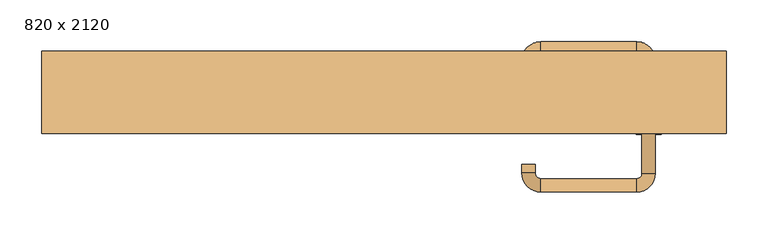
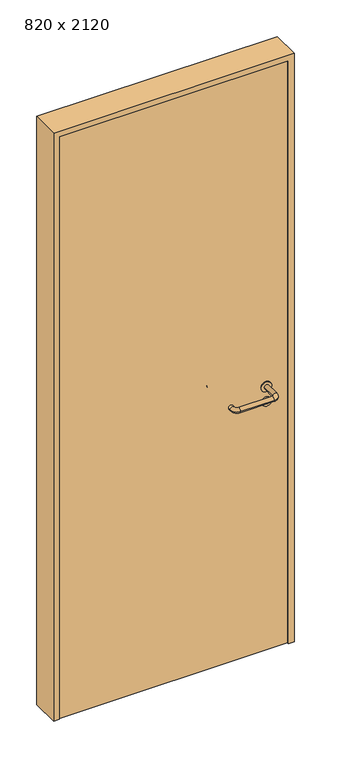
"""IFC4 building model written with IfcOpenShell, lengths in millimetres: door geometry, 820 x 2120."""

from ifc_helpers import new_model, si_unit, point, frame, frame_2d, origin, origin_with_axes, place, context, project, spatial, polyline, circle_curve, ellipse_curve, trimmed, segment, composite_curve, outline, extrude, source, transform, mapped, element, save
from ifc_brep_helpers import plane_surface, cylinder_surface, revolved_surface, advanced_brep


def door_820_x_2120_74c0bed8(model_context):
    return source(origin(), model_context, "Body", "SolidModel", [
        extrude(outline(composite_curve([segment(trimmed(circle_curve(frame_2d((897.3605726, 317.0)), 15.0), [point((897.3605726, 332.0))], [point((897.3605726, 302.0))], False, "CARTESIAN"), True, "CONTINUOUS"), segment(trimmed(circle_curve(frame_2d((897.3605726, 317.0)), 15.0), [point((897.3605726, 302.0))], [point((897.3605726, 332.0))], False, "CARTESIAN"), True, "CONTINUOUS")], self_intersect=False), holes=[composite_curve([segment(trimmed(circle_curve(frame_2d((892.5833211, 316.9398032)), 2.0), [point((892.5833211, 318.9398032))], [point((892.5833211, 314.9398032))], True, "CARTESIAN"), True, "CONTINUOUS"), segment(polyline([(892.5833211, 314.9398032), (902.5833211, 314.9398032)]), True, "CONTINUOUS"), segment(trimmed(circle_curve(frame_2d((902.5833211, 316.9398032)), 2.0), [point((902.5833211, 314.9398032))], [point((902.5833211, 318.9398032))], True, "CARTESIAN"), True, "CONTINUOUS"), segment(polyline([(902.5833211, 318.9398032), (892.5833211, 318.9398032)]), True, "CONTINUOUS")], self_intersect=False)]), frame((0.0, -15.0, 0.0), z_axis=(0.0, 1.0, 0.0), x_axis=(0.0, 0.0, 1.0)), (0.0, 0.0, 1.0), 6.35),
        extrude(outline(composite_curve([segment(trimmed(circle_curve(frame_2d((950.0, 317.0)), 17.526), [point((950.0, 334.526))], [point((950.0, 299.474))], False, "CARTESIAN"), True, "CONTINUOUS"), segment(trimmed(circle_curve(frame_2d((950.0, 317.0)), 17.526), [point((950.0, 299.474))], [point((950.0, 334.526))], False, "CARTESIAN"), True, "CONTINUOUS")], self_intersect=False)), frame((0.0, -15.0, 0.0), z_axis=(0.0, 1.0, 0.0), x_axis=(0.0, 0.0, 1.0)), (0.0, 0.0, 1.0), 3.175),
        advanced_brep(
        [(325.0, -15.0, 950.0), (309.0, -15.0, 950.0), (325.0, 38.0, 950.0), (309.0, 38.0, 950.0), (302.8578644, 44.1421356, 950.0), (302.8578644, 60.1421356, 950.0), (187.8578644, 60.1421356, 950.0), (187.8578644, 44.1421356, 950.0), (181.008622, 37.2928932, 950.0), (165.008622, 37.2928932, 950.0), (165.008622, 27.2928932, 950.0), (181.008622, 27.2928932, 950.0)],
        [
            (0, 1, circle_curve(frame((317.0, -15.0, 950.0), z_axis=(0.0, -1.0, 0.0), x_axis=(-1.0, 0.0, 0.0)), 8.0)),
            (1, 0, circle_curve(frame((317.0, -15.0, 950.0), z_axis=(0.0, -1.0, 0.0), x_axis=(-1.0, 0.0, 0.0)), 8.0)),
            (0, 2),
            (2, 3, circle_curve(frame((317.0, 38.0, 950.0), z_axis=(0.0, -1.0, 0.0), x_axis=(-1.0, 0.0, 0.0)), 8.0)),
            (3, 1),
            (3, 2, circle_curve(frame((317.0, 38.0, 950.0), z_axis=(0.0, -1.0, 0.0), x_axis=(-1.0, 0.0, 0.0)), 8.0)),
            (4, 3, circle_curve(frame((302.8578644, 38.0, 950.0), z_axis=(0.0, 0.0, -1.0), x_axis=(1.0, 0.0, 0.0)), 6.1421356)),
            (2, 5, circle_curve(frame((302.8578644, 38.0, 950.0), z_axis=(0.0, 0.0, 1.0), x_axis=(1.0, 0.0, 0.0)), 22.1421356)),
            (5, 4, circle_curve(frame((302.8578644, 52.1421356, 950.0), z_axis=(1.0, 0.0, 0.0), x_axis=(0.0, -1.0, 0.0)), 8.0)),
            (4, 5, circle_curve(frame((302.8578644, 52.1421356, 950.0), z_axis=(1.0, 0.0, 0.0), x_axis=(0.0, -1.0, 0.0)), 8.0)),
            (5, 6),
            (6, 7, circle_curve(frame((187.8578644, 52.1421356, 950.0), z_axis=(1.0, 0.0, 0.0), x_axis=(0.0, -1.0, 0.0)), 8.0)),
            (7, 4),
            (7, 6, circle_curve(frame((187.8578644, 52.1421356, 950.0), z_axis=(1.0, 0.0, 0.0), x_axis=(0.0, -1.0, 0.0)), 8.0)),
            (8, 7, circle_curve(frame((187.8578644, 37.2928932, 950.0), z_axis=(0.0, 0.0, -1.0), x_axis=(0.0, 1.0, 0.0)), 6.8492424)),
            (6, 9, circle_curve(frame((187.8578644, 37.2928932, 950.0), z_axis=(0.0, 0.0, 1.0), x_axis=(0.0, 1.0, 0.0)), 22.8492424)),
            (9, 8, circle_curve(frame((173.008622, 37.2928932, 950.0), z_axis=(0.0, 1.0, 0.0), x_axis=(1.0, 0.0, 0.0)), 8.0)),
            (8, 9, circle_curve(frame((173.008622, 37.2928932, 950.0), z_axis=(0.0, 1.0, 0.0), x_axis=(1.0, 0.0, 0.0)), 8.0)),
            (10, 11, circle_curve(frame((173.008622, 27.2928932, 950.0), z_axis=(0.0, -1.0, 0.0), x_axis=(1.0, 0.0, 0.0)), 8.0)),
            (11, 10, circle_curve(frame((173.008622, 27.2928932, 950.0), z_axis=(0.0, -1.0, 0.0), x_axis=(1.0, 0.0, 0.0)), 8.0)),
            (9, 10),
            (11, 8),
        ],
        [
            plane_surface(frame((317.0, -15.0, 0.0), z_axis=(0.0, -1.0, 0.0), x_axis=(0.0, 0.0, 1.0))),
            cylinder_surface(frame((317.0, -15.0, 950.0), z_axis=(0.0, -1.0, 0.0), x_axis=(-1.0, 0.0, 0.0)), 8.0),
            revolved_surface(trimmed(ellipse_curve(frame((317.0, 38.0, 950.0), z_axis=(0.0, -1.0, 0.0), x_axis=(-1.0, 0.0, 0.0)), 8.0, 8.0), [point((325.0, 38.0, 950.0))], [point((309.0, 38.0, 950.0))], True, "CARTESIAN"), (302.8578644, 38.0, 0.0), (0.0, 0.0, 1.0)),
            revolved_surface(trimmed(ellipse_curve(frame((317.0, 38.0, 950.0), z_axis=(0.0, -1.0, 0.0), x_axis=(-1.0, 0.0, 0.0)), 8.0, 8.0), [point((309.0, 38.0, 950.0))], [point((325.0, 38.0, 950.0))], True, "CARTESIAN"), (302.8578644, 38.0, 0.0), (0.0, 0.0, 1.0)),
            cylinder_surface(frame((302.8578644, 52.1421356, 950.0), z_axis=(1.0, 0.0, 0.0), x_axis=(0.0, -1.0, 0.0)), 8.0),
            revolved_surface(trimmed(ellipse_curve(frame((187.8578644, 52.1421356, 950.0), z_axis=(1.0, 0.0, 0.0), x_axis=(0.0, -1.0, 0.0)), 8.0, 8.0), [point((187.8578644, 60.1421356, 950.0))], [point((187.8578644, 44.1421356, 950.0))], True, "CARTESIAN"), (187.8578644, 37.2928932, 0.0), (0.0, 0.0, 1.0)),
            revolved_surface(trimmed(ellipse_curve(frame((187.8578644, 52.1421356, 950.0), z_axis=(1.0, 0.0, 0.0), x_axis=(0.0, -1.0, 0.0)), 8.0, 8.0), [point((187.8578644, 44.1421356, 950.0))], [point((187.8578644, 60.1421356, 950.0))], True, "CARTESIAN"), (187.8578644, 37.2928932, 0.0), (0.0, 0.0, 1.0)),
            plane_surface(frame((173.008622, 27.2928932, 0.0), z_axis=(0.0, -1.0, 0.0), x_axis=(0.0, 0.0, 1.0))),
            cylinder_surface(frame((173.008622, 37.2928932, 950.0), z_axis=(0.0, 1.0, 0.0), x_axis=(1.0, 0.0, 0.0)), 8.0),
        ],
        [
            (0, [[1, 2]]),
            (1, [[-1, 3, 4, 5]]),
            (1, [[-2, -5, 6, -3]]),
            (2, [[7, -4, 8, 9]]),
            (3, [[-8, -6, -7, 10]]),
            (4, [[-9, 11, 12, 13]]),
            (4, [[-10, -13, 14, -11]]),
            (5, [[15, -12, 16, 17]]),
            (6, [[-16, -14, -15, 18]]),
            (7, [[19, 20]]),
            (8, [[-17, 21, -20, 22]]),
            (8, [[-18, -22, -19, -21]]),
        ],
    ),
        extrude(outline(composite_curve([segment(trimmed(circle_curve(frame_2d((0.0, 15.0)), 15.0), [point((0.0, 30.0))], [point((0.0, 0.0))], False, "CARTESIAN"), True, "CONTINUOUS"), segment(trimmed(circle_curve(frame_2d((0.0, 15.0)), 15.0), [point((0.0, 0.0))], [point((0.0, 30.0))], False, "CARTESIAN"), True, "CONTINUOUS")], self_intersect=False), holes=[composite_curve([segment(trimmed(circle_curve(frame_2d((-4.7772515, 14.9398032)), 2.0), [point((-4.7772515, 16.9398032))], [point((-4.7772515, 12.9398032))], True, "CARTESIAN"), True, "CONTINUOUS"), segment(polyline([(-4.7772515, 12.9398032), (5.2227485, 12.9398032)]), True, "CONTINUOUS"), segment(trimmed(circle_curve(frame_2d((5.2227485, 14.9398032)), 2.0), [point((5.2227485, 12.9398032))], [point((5.2227485, 16.9398032))], True, "CARTESIAN"), True, "CONTINUOUS"), segment(polyline([(5.2227485, 16.9398032), (-4.7772515, 16.9398032)]), True, "CONTINUOUS")], self_intersect=False)]), frame((302.0, -51.35, 897.3605726), z_axis=(-1.8870575173328306e-12, 1.0, 0.0), x_axis=(0.0, 0.0, 1.0)), (0.0, 0.0, 1.0), 6.35),
        extrude(outline(composite_curve([segment(trimmed(circle_curve(frame_2d((0.0, 17.526)), 17.526), [point((0.0, 35.052))], [point((0.0, 0.0))], False, "CARTESIAN"), True, "CONTINUOUS"), segment(trimmed(circle_curve(frame_2d((0.0, 17.526)), 17.526), [point((0.0, 0.0))], [point((0.0, 35.052))], False, "CARTESIAN"), True, "CONTINUOUS")], self_intersect=False)), frame((299.474, -48.175, 950.0), z_axis=(-1.8870575173328306e-12, 1.0, 0.0), x_axis=(0.0, 0.0, 1.0)), (0.0, 0.0, 1.0), 3.175),
        advanced_brep(
        [(325.0, -45.0, 950.0), (309.0, -45.0, 950.0), (309.0, -98.0, 950.0), (325.0, -98.0, 950.0), (302.8578644, -104.1421356, 950.0), (302.8578644, -120.1421356, 950.0), (187.8578644, -104.1421356, 950.0), (187.8578644, -120.1421356, 950.0), (181.008622, -97.2928932, 950.0), (165.008622, -97.2928932, 950.0), (165.008622, -87.2928932, 950.0), (181.008622, -87.2928932, 950.0)],
        [
            (0, 1, circle_curve(frame((317.0, -45.0, 950.0), z_axis=(-1.888672253512351e-12, 1.0, 0.0), x_axis=(-1.0, -1.888672253512351e-12, 0.0)), 8.0)),
            (1, 0, circle_curve(frame((317.0, -45.0, 950.0), z_axis=(-1.888672253512351e-12, 1.0, 0.0), x_axis=(-1.0, -1.888672253512351e-12, 0.0)), 8.0)),
            (1, 2),
            (2, 3, circle_curve(frame((317.0, -98.0, 950.0), z_axis=(-1.888672253512351e-12, 1.0, 0.0), x_axis=(-1.0, -1.888672253512351e-12, 0.0)), 8.0)),
            (3, 0),
            (3, 2, circle_curve(frame((317.0, -98.0, 950.0), z_axis=(-1.888672253512351e-12, 1.0, 0.0), x_axis=(-1.0, -1.888672253512351e-12, 0.0)), 8.0)),
            (4, 5, circle_curve(frame((302.8578644, -112.1421356, 950.0), z_axis=(1.0, 1.913702061528922e-12, 0.0), x_axis=(-1.913702061528922e-12, 1.0, 0.0)), 8.0)),
            (5, 3, circle_curve(frame((302.8578644, -98.0, 950.0), z_axis=(0.0, 0.0, 1.0), x_axis=(1.0, 1.880717803715015e-12, 0.0)), 22.1421356)),
            (2, 4, circle_curve(frame((302.8578644, -98.0, 950.0), z_axis=(0.0, 0.0, -1.0), x_axis=(1.0, 1.880717803715015e-12, 0.0)), 6.1421356)),
            (5, 4, circle_curve(frame((302.8578644, -112.1421356, 950.0), z_axis=(1.0, 1.913702061528922e-12, 0.0), x_axis=(-1.913702061528922e-12, 1.0, 0.0)), 8.0)),
            (4, 6),
            (6, 7, circle_curve(frame((187.8578644, -112.1421356, 950.0), z_axis=(1.0, 1.913719828541269e-12, 0.0), x_axis=(-1.913719828541269e-12, 1.0, 0.0)), 8.0)),
            (7, 5),
            (7, 6, circle_curve(frame((187.8578644, -112.1421356, 950.0), z_axis=(1.0, 1.913719828541269e-12, 0.0), x_axis=(-1.913719828541269e-12, 1.0, 0.0)), 8.0)),
            (8, 9, circle_curve(frame((173.008622, -97.2928932, 950.0), z_axis=(1.8888942981172756e-12, -1.0, 0.0), x_axis=(1.0, 1.8888942981172756e-12, 0.0)), 8.0)),
            (9, 7, circle_curve(frame((187.8578644, -97.2928932, 950.0), z_axis=(0.0, 0.0, 1.0), x_axis=(1.9120873253494017e-12, -1.0, 0.0)), 22.8492424)),
            (6, 8, circle_curve(frame((187.8578644, -97.2928932, 950.0), z_axis=(0.0, 0.0, -1.0), x_axis=(1.9120873253494017e-12, -1.0, 0.0)), 6.8492424)),
            (9, 8, circle_curve(frame((173.008622, -97.2928932, 950.0), z_axis=(1.890448610351751e-12, -1.0, 0.0), x_axis=(1.0, 1.890448610351751e-12, 0.0)), 8.0)),
            (10, 11, circle_curve(frame((173.008622, -87.2928932, 950.0), z_axis=(-1.8903642334018795e-12, 1.0, 0.0), x_axis=(1.0, 1.8903642334018795e-12, 0.0)), 8.0)),
            (11, 10, circle_curve(frame((173.008622, -87.2928932, 950.0), z_axis=(-1.8903642334018795e-12, 1.0, 0.0), x_axis=(1.0, 1.8903642334018795e-12, 0.0)), 8.0)),
            (8, 11),
            (10, 9),
        ],
        [
            plane_surface(frame((317.0, -45.0, 0.0), z_axis=(-1.8870575173328306e-12, 1.0, 0.0), x_axis=(0.0, 0.0, 1.0))),
            cylinder_surface(frame((317.0, -45.0, 950.0), z_axis=(-1.888672253512351e-12, 1.0, 0.0), x_axis=(-1.0, -1.888672253512351e-12, 0.0)), 8.0),
            revolved_surface(trimmed(ellipse_curve(frame((317.0, -98.0, 950.0), z_axis=(1.8823325398945356e-12, -1.0, 0.0), x_axis=(-1.0, -1.8823325398945356e-12, 0.0)), 8.0, 8.0), [point((325.0, -98.0, 950.0))], [point((309.0, -98.0, 950.0))], True, "CARTESIAN"), (302.8578644, -98.0, 0.0), (0.0, 0.0, 1.0)),
            revolved_surface(trimmed(ellipse_curve(frame((317.0, -98.0, 950.0), z_axis=(1.8823325398945356e-12, -1.0, 0.0), x_axis=(-1.0, -1.8823325398945356e-12, 0.0)), 8.0, 8.0), [point((309.0, -98.0, 950.0))], [point((325.0, -98.0, 950.0))], True, "CARTESIAN"), (302.8578644, -98.0, 0.0), (0.0, 0.0, 1.0)),
            cylinder_surface(frame((302.8578644, -112.1421356, 950.0), z_axis=(1.0, 1.913719828541269e-12, 0.0), x_axis=(-1.913719828541269e-12, 1.0, 0.0)), 8.0),
            revolved_surface(trimmed(ellipse_curve(frame((187.8578644, -112.1421356, 950.0), z_axis=(-1.0, -1.913702061528922e-12, 0.0), x_axis=(-1.913702061528922e-12, 1.0, 0.0)), 8.0, 8.0), [point((187.8578644, -120.1421356, 950.0))], [point((187.8578644, -104.1421356, 950.0))], True, "CARTESIAN"), (187.8578644, -97.2928932, 0.0), (0.0, 0.0, 1.0)),
            revolved_surface(trimmed(ellipse_curve(frame((187.8578644, -112.1421356, 950.0), z_axis=(-1.0, -1.913702061528922e-12, 0.0), x_axis=(-1.913702061528922e-12, 1.0, 0.0)), 8.0, 8.0), [point((187.8578644, -104.1421356, 950.0))], [point((187.8578644, -120.1421356, 950.0))], True, "CARTESIAN"), (187.8578644, -97.2928932, 0.0), (0.0, 0.0, 1.0)),
            plane_surface(frame((173.008622, -87.2928932, 0.0), z_axis=(-1.8887494972223595e-12, 1.0, 0.0), x_axis=(0.0, 0.0, 1.0))),
            cylinder_surface(frame((173.008622, -97.2928932, 950.0), z_axis=(1.8903642334018795e-12, -1.0, 0.0), x_axis=(1.0, 1.8903642334018795e-12, 0.0)), 8.0),
        ],
        [
            (0, [[1, 2]]),
            (1, [[3, 4, 5, -2]]),
            (1, [[-5, 6, -3, -1]]),
            (2, [[7, 8, -4, 9]]),
            (3, [[10, -9, -6, -8]]),
            (4, [[11, 12, 13, -7]]),
            (4, [[-13, 14, -11, -10]]),
            (5, [[15, 16, -12, 17]]),
            (6, [[18, -17, -14, -16]]),
            (7, [[19, 20]]),
            (8, [[21, -19, 22, -15]]),
            (8, [[-22, -20, -21, -18]]),
        ],
    ),
        extrude(outline(polyline([(2100.0, 390.0), (0.0, 390.0), (0.0, 410.0), (2120.0, 410.0), (2120.0, -410.0), (0.0, -410.0), (0.0, -390.0), (2100.0, -390.0), (2100.0, 390.0)])), frame((0.0, -50.0, 0.0), z_axis=(0.0, 1.0, 0.0), x_axis=(0.0, 0.0, 1.0)), (0.0, 0.0, 1.0), 99.0),
        extrude(outline(polyline([(-390.0, -45.0), (-390.0, -15.0), (390.0, -15.0), (390.0, -45.0), (-390.0, -45.0)])), origin_with_axes(), (0.0, 0.0, 1.0), 2100.0),
    ])


if __name__ == "__main__":
    model = new_model("IFC4")
    model_context = context("Model", 3, world=origin())
    ifc_project = project(units=[si_unit("LENGTHUNIT", "METRE", prefix="MILLI")], contexts=[model_context])
    site = spatial("IfcSite", under=ifc_project)
    building = spatial("IfcBuilding", under=site)
    placement = place(None, origin())
    door_820_x_2120_shape = door_820_x_2120_74c0bed8(model_context)
    element("IfcDoor", 1, ObjectType="820 x 2120", at=placement, inside=building, context=model_context, shape_type="MappedRepresentation", body=[
        mapped(door_820_x_2120_shape, transform((0.0, 0.0, 0.0), x_axis=(1.0, 0.0, 0.0), y_axis=(0.0, 1.0, 0.0), z_axis=(0.0, 0.0, 1.0))),
    ])
    save(model, "model.ifc")
